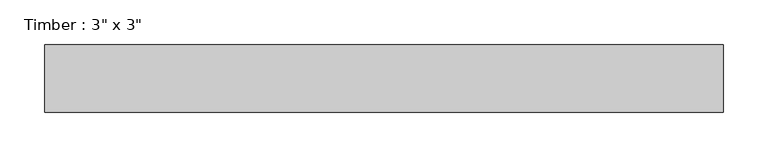
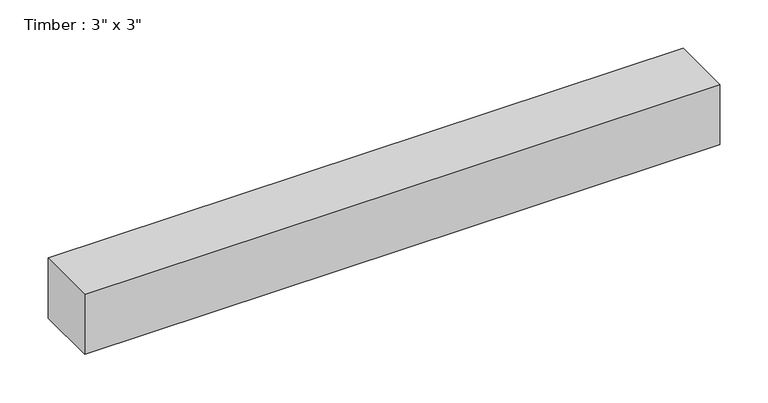
"""IFC4 building model written with IfcOpenShell, lengths in millimetres: beam geometry."""

from ifc_helpers import new_model, si_unit, frame, origin, place, context, project, spatial, polyline, outline, extrude, source, transform, mapped, element, save


def beam_4a08bfee(model_context):
    return source(origin(), model_context, "Body", "SweptSolid", [
        extrude(outline(polyline([(381.0, 38.1), (381.0, -38.1), (-381.0, -38.1), (-381.0, 38.1), (381.0, 38.1)])), frame((0.0, 0.0, -38.1), z_axis=(0.0, 0.0, 1.0), x_axis=(1.0, 0.0, 0.0)), (0.0, 0.0, 1.0), 76.2),
    ])


if __name__ == "__main__":
    model = new_model("IFC4")
    model_context = context("Model", 3, world=origin())
    ifc_project = project(units=[si_unit("LENGTHUNIT", "METRE", prefix="MILLI")], contexts=[model_context])
    site = spatial("IfcSite", under=ifc_project)
    building = spatial("IfcBuilding", under=site)
    placement = place(None, origin())
    beam_shape = beam_4a08bfee(model_context)
    element("IfcBeam", 1, ObjectType="Timber : 3\" x 3\"", at=placement, inside=building, context=model_context, shape_type="MappedRepresentation", body=[
        mapped(beam_shape, transform((0.0, 0.0, 0.0), x_axis=(1.0, 0.0, 0.0), y_axis=(0.0, 1.0, 0.0), z_axis=(0.0, 0.0, 1.0))),
    ])
    save(model, "model.ifc")
